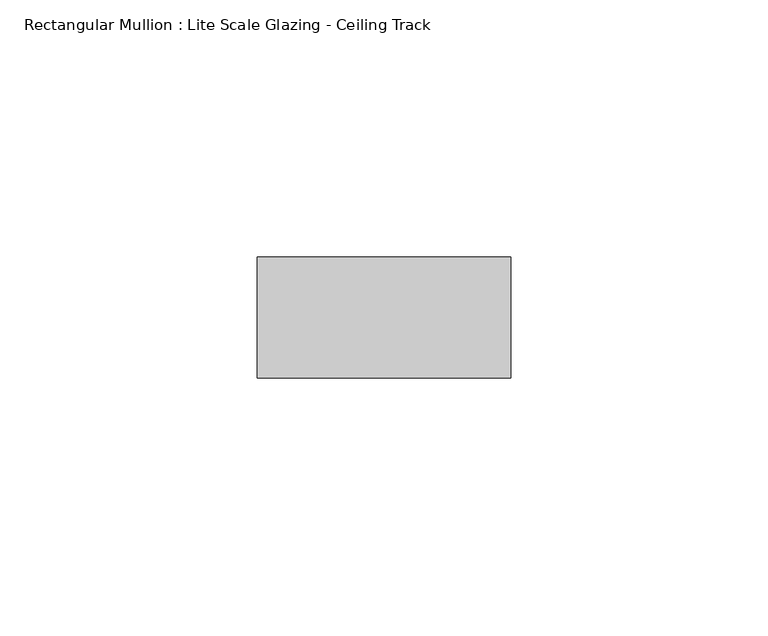
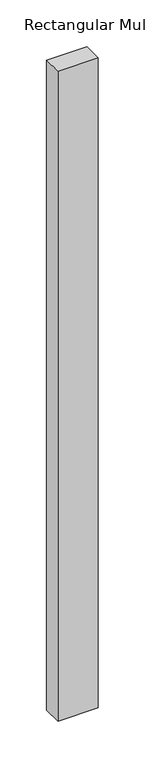
"""IFC4 building model written with IfcOpenShell, lengths in millimetres: member geometry, Rectangular Mullion : Lite Scale Glazing - Ceiling Track."""

from ifc_helpers import new_model, si_unit, frame, origin, place, context, project, spatial, polyline, outline, extrude, source, transform, mapped, element, save


def rectangular_mullion_lite_scale_glazing_ceiling_track_f7b49d4f(model_context):
    return source(origin(), model_context, "Body", "SweptSolid", [
        extrude(outline(polyline([(-49.276, -11.7474999), (-49.276, 11.7474999), (0.0, 11.7474999), (0.0, -11.7474999), (-49.276, -11.7474999)])), frame((0.0, 0.0, -844.55), z_axis=(0.0, 0.0, 1.0), x_axis=(1.0, 0.0, 0.0)), (0.0, 0.0, 1.0), 844.55),
    ])


if __name__ == "__main__":
    model = new_model("IFC4")
    model_context = context("Model", 3, world=origin())
    ifc_project = project(units=[si_unit("LENGTHUNIT", "METRE", prefix="MILLI")], contexts=[model_context])
    site = spatial("IfcSite", under=ifc_project)
    building = spatial("IfcBuilding", under=site)
    placement = place(None, origin())
    rectangular_mullion_lite_scale_glazing_ceiling_track_shape = rectangular_mullion_lite_scale_glazing_ceiling_track_f7b49d4f(model_context)
    element("IfcMember", 1, ObjectType="Rectangular Mullion : Lite Scale Glazing - Ceiling Track", at=placement, inside=building, context=model_context, shape_type="MappedRepresentation", body=[
        mapped(rectangular_mullion_lite_scale_glazing_ceiling_track_shape, transform((0.0, 0.0, 0.0), x_axis=(1.0, 0.0, 0.0), y_axis=(0.0, 1.0, 0.0), z_axis=(0.0, 0.0, 1.0))),
    ])
    save(model, "model.ifc")
